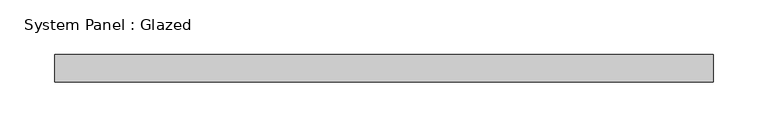
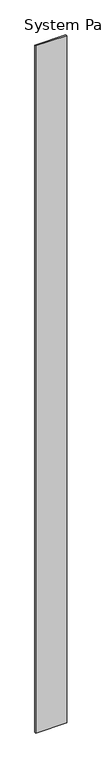
"""IFC4 building model written with IfcOpenShell, lengths in millimetres: plate geometry, System Panel : Glazed."""

from ifc_helpers import new_model, si_unit, origin, origin_with_axes, place, context, project, spatial, polyline, outline, extrude, source, transform, mapped, element, save


def system_panel_glazed_20477e93(model_context):
    return source(origin(), model_context, "Body", "SweptSolid", [
        extrude(outline(polyline([(299.5412858, 52.5), (-299.5412858, 52.5), (-299.5412858, 77.5), (299.5412858, 77.5), (299.5412858, 52.5)])), origin_with_axes(), (0.0, 0.0, 1.0), 14020.0),
    ])


if __name__ == "__main__":
    model = new_model("IFC4")
    model_context = context("Model", 3, world=origin())
    ifc_project = project(units=[si_unit("LENGTHUNIT", "METRE", prefix="MILLI")], contexts=[model_context])
    site = spatial("IfcSite", under=ifc_project)
    building = spatial("IfcBuilding", under=site)
    placement = place(None, origin())
    system_panel_glazed_shape = system_panel_glazed_20477e93(model_context)
    element("IfcPlate", 1, ObjectType="System Panel : Glazed", at=placement, inside=building, context=model_context, shape_type="MappedRepresentation", body=[
        mapped(system_panel_glazed_shape, transform((0.0, 0.0, 0.0), x_axis=(1.0, 0.0, 0.0), y_axis=(0.0, 1.0, 0.0), z_axis=(0.0, 0.0, 1.0))),
    ])
    save(model, "model.ifc")
